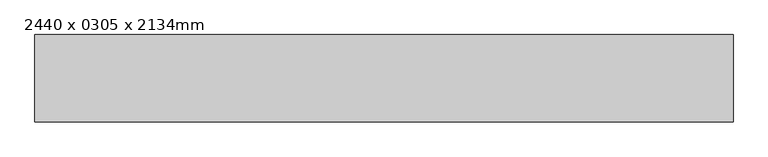
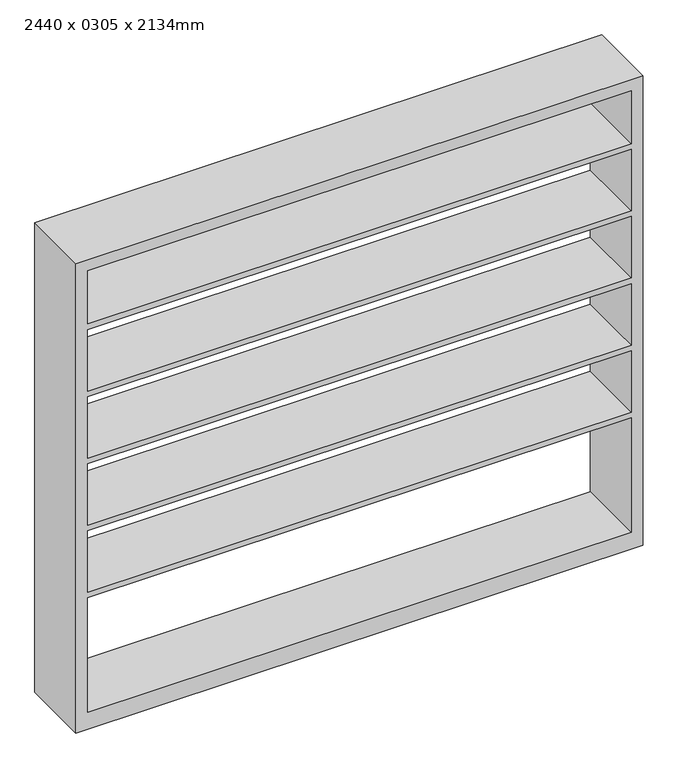
"""IFC4 building model written with IfcOpenShell, lengths in millimetres: furniture geometry, 2440 x 0305 x 2134mm."""

from ifc_helpers import new_model, si_unit, frame, origin, place, context, project, spatial, polyline, outline, extrude, source, transform, mapped, element, save


def furniture_2440_x_0305_x_2134mm_59c1a9e4(model_context):
    return source(origin(), model_context, "Body", "SweptSolid", [
        extrude(outline(polyline([(0.0, 1220.0), (2134.0, 1220.0), (2134.0, -1220.0), (0.0, -1220.0), (0.0, 1220.0)]), holes=[polyline([(2083.2, 1169.2), (1841.8428571, 1169.2), (1841.8428571, -1169.2), (2083.2, -1169.2), (2083.2, 1169.2)]), polyline([(76.2, 1169.2), (76.2, -1169.2), (597.0142857, -1169.2), (597.0142857, 1169.2), (76.2, 1169.2)]), polyline([(1232.1285714, -1169.2), (1511.5857143, -1169.2), (1511.5857143, 1169.2), (1232.1285714, 1169.2), (1232.1285714, -1169.2)]), polyline([(1816.4428571, 1169.2), (1536.9857143, 1169.2), (1536.9857143, -1169.2), (1816.4428571, -1169.2), (1816.4428571, 1169.2)]), polyline([(1206.7285714, 1169.2), (927.2714286, 1169.2), (927.2714286, -1169.2), (1206.7285714, -1169.2), (1206.7285714, 1169.2)]), polyline([(901.8714286, 1169.2), (622.4142857, 1169.2), (622.4142857, -1169.2), (901.8714286, -1169.2), (901.8714286, 1169.2)])]), frame((0.0, -457.3, 0.0), z_axis=(0.0, 1.0, 0.0), x_axis=(0.0, 0.0, 1.0)), (0.0, 0.0, 1.0), 305.0),
    ])


if __name__ == "__main__":
    model = new_model("IFC4")
    model_context = context("Model", 3, world=origin())
    ifc_project = project(units=[si_unit("LENGTHUNIT", "METRE", prefix="MILLI")], contexts=[model_context])
    site = spatial("IfcSite", under=ifc_project)
    building = spatial("IfcBuilding", under=site)
    placement = place(None, origin())
    furniture_2440_x_0305_x_2134mm_shape = furniture_2440_x_0305_x_2134mm_59c1a9e4(model_context)
    element("IfcFurniture", 1, ObjectType="2440 x 0305 x 2134mm", at=placement, inside=building, context=model_context, shape_type="MappedRepresentation", body=[
        mapped(furniture_2440_x_0305_x_2134mm_shape, transform((0.0, 0.0, 0.0), x_axis=(1.0, 0.0, 0.0), y_axis=(0.0, 1.0, 0.0), z_axis=(0.0, 0.0, 1.0))),
    ])
    save(model, "model.ifc")
